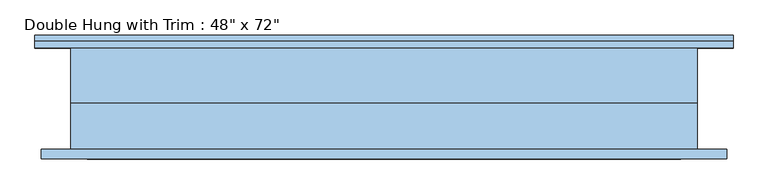
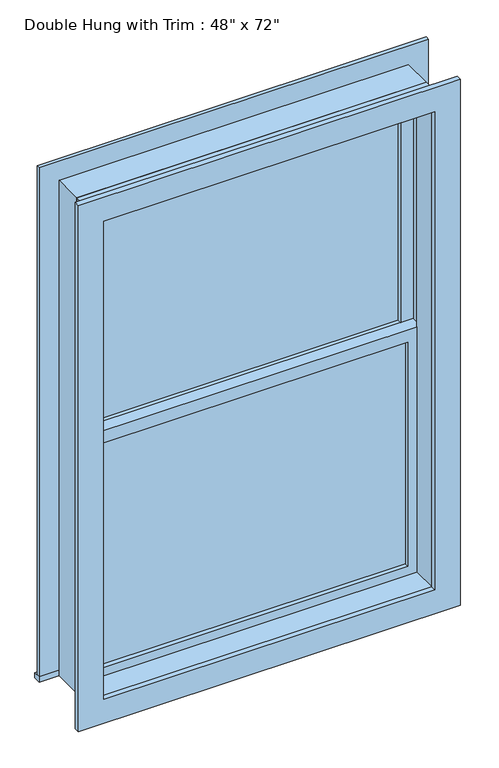
"""IFC4 building model written with IfcOpenShell, lengths in millimetres: window geometry."""

from ifc_helpers import new_model, si_unit, frame, origin, place, context, project, spatial, polyline, outline, extrude, source, transform, mapped, element, save


def window_2e45a4f1(model_context):
    return source(origin(), model_context, "Body", "SweptSolid", [
        extrude(outline(polyline([(-546.1, 19.05), (546.1, 19.05), (546.1, 6.35), (-546.1, 6.35), (-546.1, 19.05)])), frame((0.0, 0.0, 368.3), z_axis=(0.0, 0.0, 1.0), x_axis=(1.0, 0.0, 0.0)), (0.0, 0.0, 1.0), 828.675),
        extrude(outline(polyline([(1241.425, -590.55), (323.85, -590.55), (323.85, 590.55), (1241.425, 590.55), (1241.425, -590.55)]), holes=[polyline([(1196.975, -546.1), (1196.975, 546.1), (368.3, 546.1), (368.3, -546.1), (1196.975, -546.1)])]), frame((0.0, -9.525, 0.0), z_axis=(0.0, 1.0, 0.0), x_axis=(0.0, 0.0, 1.0)), (0.0, 0.0, 1.0), 44.45),
        extrude(outline(polyline([(-679.45, 123.825), (679.45, 123.825), (679.45, 98.425), (-679.45, 98.425), (-679.45, 123.825)])), frame((0.0, 0.0, 304.8), z_axis=(0.0, 0.0, 1.0), x_axis=(1.0, 0.0, 0.0)), (0.0, 0.0, 1.0), 19.05),
        extrude(outline(polyline([(2114.55, -590.55), (2114.55, 590.55), (323.85, 590.55), (323.85, 679.45), (2203.45, 679.45), (2203.45, -679.45), (323.85, -679.45), (323.85, -590.55), (2114.55, -590.55)])), frame((0.0, 98.425, 0.0), z_axis=(0.0, 1.0, 0.0), x_axis=(0.0, 0.0, 1.0)), (0.0, 0.0, 1.0), 12.7),
        extrude(outline(polyline([(2190.75, 666.75), (2190.75, -666.75), (247.65, -666.75), (247.65, 666.75), (2190.75, 666.75)]), holes=[polyline([(2101.85, 577.85), (336.55, 577.85), (336.55, -577.85), (2101.85, -577.85), (2101.85, 577.85)])]), frame((0.0, -117.475, 0.0), z_axis=(0.0, 1.0, 0.0), x_axis=(0.0, 0.0, 1.0)), (0.0, 0.0, 1.0), 19.05),
        extrude(outline(polyline([(546.1, 50.8), (-546.1, 50.8), (-546.1, 63.5), (546.1, 63.5), (546.1, 50.8)])), frame((0.0, 0.0, 1241.425), z_axis=(0.0, 0.0, 1.0), x_axis=(1.0, 0.0, 0.0)), (0.0, 0.0, 1.0), 828.675),
        extrude(outline(polyline([(2114.55, -590.55), (1196.975, -590.55), (1196.975, 590.55), (2114.55, 590.55), (2114.55, -590.55)]), holes=[polyline([(2070.1, -546.1), (2070.1, 546.1), (1241.425, 546.1), (1241.425, -546.1), (2070.1, -546.1)])]), frame((0.0, 34.925, 0.0), z_axis=(0.0, 1.0, 0.0), x_axis=(0.0, 0.0, 1.0)), (0.0, 0.0, 1.0), 44.45),
        extrude(outline(polyline([(2133.6, -609.6), (304.8, -609.6), (304.8, 609.6), (2133.6, 609.6), (2133.6, -609.6)]), holes=[polyline([(2101.85, -577.85), (2101.85, 577.85), (336.55, 577.85), (336.55, -577.85), (2101.85, -577.85)])]), frame((0.0, -98.425, 0.0), z_axis=(0.0, 1.0, 0.0), x_axis=(0.0, 0.0, 1.0)), (0.0, 0.0, 1.0), 88.9),
        extrude(outline(polyline([(2133.6, 609.6), (2133.6, -609.6), (304.8, -609.6), (304.8, 609.6), (2133.6, 609.6)]), holes=[polyline([(2114.55, 590.55), (323.85, 590.55), (323.85, -590.55), (2114.55, -590.55), (2114.55, 590.55)])]), frame((0.0, -9.525, 0.0), z_axis=(0.0, 1.0, 0.0), x_axis=(0.0, 0.0, 1.0)), (0.0, 0.0, 1.0), 107.95),
    ])


if __name__ == "__main__":
    model = new_model("IFC4")
    model_context = context("Model", 3, world=origin())
    ifc_project = project(units=[si_unit("LENGTHUNIT", "METRE", prefix="MILLI")], contexts=[model_context])
    site = spatial("IfcSite", under=ifc_project)
    building = spatial("IfcBuilding", under=site)
    placement = place(None, origin())
    window_shape = window_2e45a4f1(model_context)
    element("IfcWindow", 1, ObjectType="Double Hung with Trim : 48\" x 72\"", at=placement, inside=building, context=model_context, shape_type="MappedRepresentation", body=[
        mapped(window_shape, transform((0.0, 0.0, 0.0), x_axis=(1.0, 0.0, 0.0), y_axis=(0.0, 1.0, 0.0), z_axis=(0.0, 0.0, 1.0))),
    ])
    save(model, "model.ifc")
